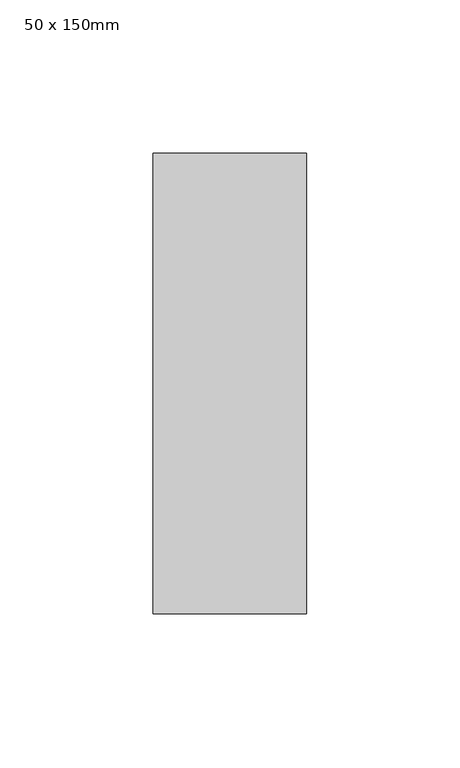
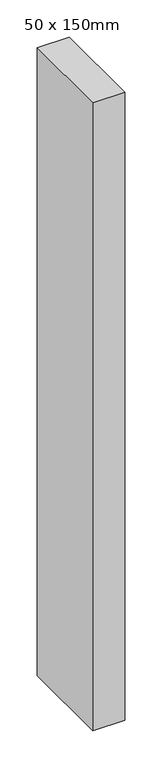
"""IFC4 building model written with IfcOpenShell, lengths in millimetres: member geometry, 50 x 150mm."""

from ifc_helpers import new_model, si_unit, frame, origin, place, context, project, spatial, polyline, outline, extrude, source, transform, mapped, element, save


def member_50_x_150mm_30c7de29(model_context):
    return source(origin(), model_context, "Body", "SweptSolid", [
        extrude(outline(polyline([(25.0, 75.0), (25.0, -75.0), (-25.0, -75.0), (-25.0, 75.0), (25.0, 75.0)])), frame((0.0, 0.0, -1034.8026798), z_axis=(0.0, 0.0, 1.0), x_axis=(1.0, 0.0, 0.0)), (0.0, 0.0, 1.0), 1034.8026798),
    ])


if __name__ == "__main__":
    model = new_model("IFC4")
    model_context = context("Model", 3, world=origin())
    ifc_project = project(units=[si_unit("LENGTHUNIT", "METRE", prefix="MILLI")], contexts=[model_context])
    site = spatial("IfcSite", under=ifc_project)
    building = spatial("IfcBuilding", under=site)
    placement = place(None, origin())
    member_50_x_150mm_shape = member_50_x_150mm_30c7de29(model_context)
    element("IfcMember", 1, ObjectType="50 x 150mm", at=placement, inside=building, context=model_context, shape_type="MappedRepresentation", body=[
        mapped(member_50_x_150mm_shape, transform((0.0, 0.0, 0.0), x_axis=(1.0, 0.0, 0.0), y_axis=(0.0, 1.0, 0.0), z_axis=(0.0, 0.0, 1.0))),
    ])
    save(model, "model.ifc")
